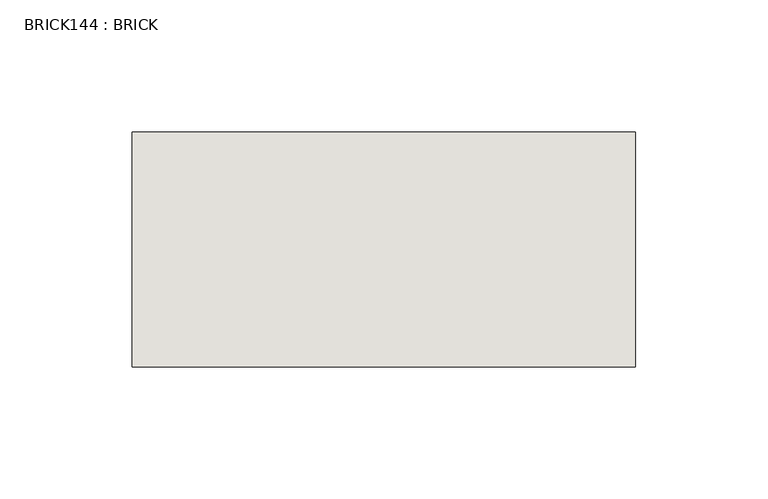
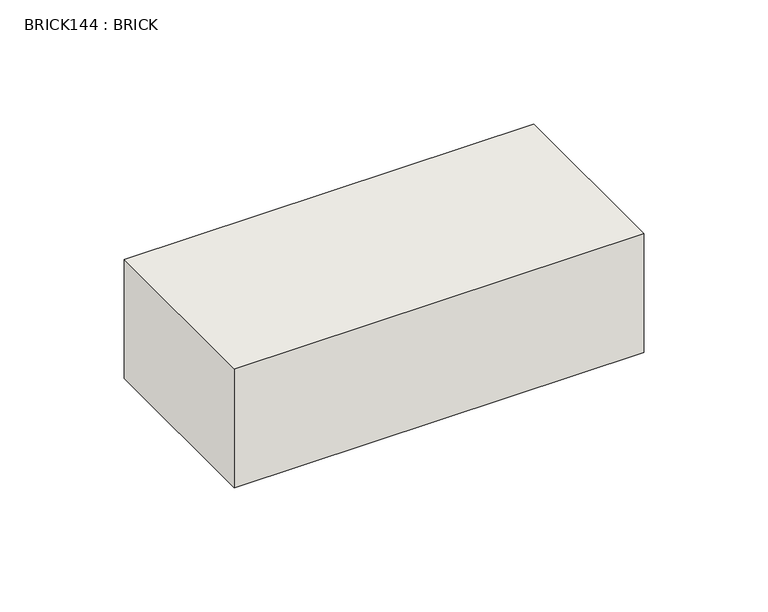
"""IFC4 building model written with IfcOpenShell, lengths in millimetres: wall geometry, BRICK144 : BRICK."""

from ifc_helpers import new_model, si_unit, frame, origin, place, context, project, spatial, polyline, outline, extrude, source, transform, mapped, element, save


def brick144_brick_c7008429(model_context):
    return source(origin(), model_context, "Body", "SweptSolid", [
        extrude(outline(polyline([(122.5272594, 2586.2274125), (313.0272594, 2586.2274125), (313.0272594, 2497.3274125), (122.5272594, 2497.3274125), (122.5272594, 2586.2274125)])), frame((0.0, 0.0, 423.2671875), z_axis=(0.0, 0.0, 1.0), x_axis=(1.0, 0.0, 0.0)), (0.0, 0.0, 1.0), 58.4398437),
    ])


if __name__ == "__main__":
    model = new_model("IFC4")
    model_context = context("Model", 3, world=origin())
    ifc_project = project(units=[si_unit("LENGTHUNIT", "METRE", prefix="MILLI")], contexts=[model_context])
    site = spatial("IfcSite", under=ifc_project)
    building = spatial("IfcBuilding", under=site)
    placement = place(None, origin())
    brick144_brick_shape = brick144_brick_c7008429(model_context)
    element("IfcWall", 1, ObjectType="BRICK144 : BRICK", at=placement, inside=building, context=model_context, shape_type="MappedRepresentation", body=[
        mapped(brick144_brick_shape, transform((0.0, 0.0, 0.0), x_axis=(1.0, 0.0, 0.0), y_axis=(0.0, 1.0, 0.0), z_axis=(0.0, 0.0, 1.0))),
    ])
    save(model, "model.ifc")
